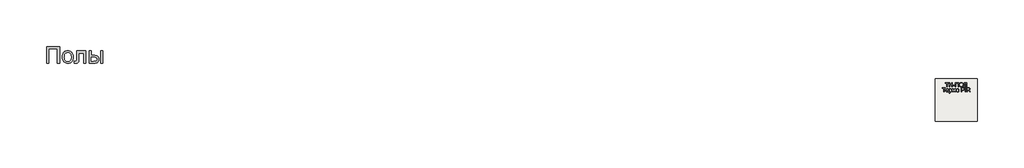
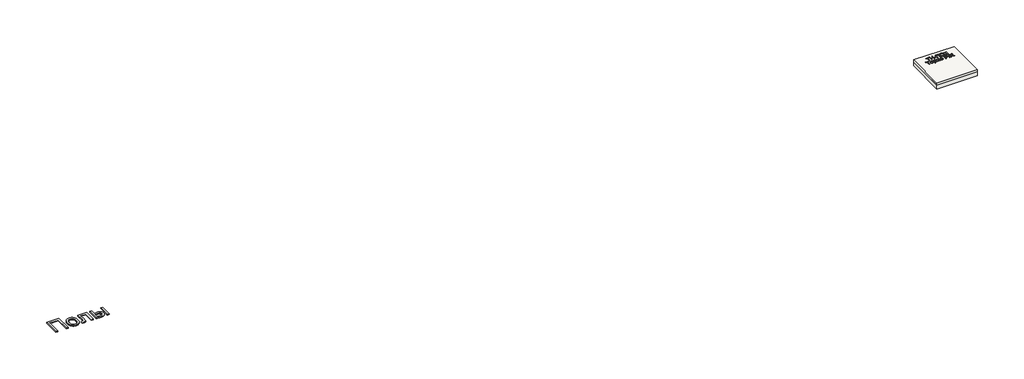
# One storey: 2 proxies, 2 slabs.
"""IFC4 building model written with IfcOpenShell, lengths in millimetres."""

from ifc_helpers import new_model, si_unit, frame, origin, origin_with_axes, place, context, project, spatial, polyline, outline, extrude, element, save

model = new_model("IFC4")

# Units and contexts
model_context = context("Model", 3, world=origin())
ifc_project = project(units=[si_unit("LENGTHUNIT", "METRE", prefix="MILLI")], contexts=[model_context])

# Site, building, storey
site = spatial("IfcSite", under=ifc_project)
building = spatial("IfcBuilding", under=site)
storey = spatial("IfcBuildingStorey", under=building, Elevation=0.0)

# Proxies
placement = place(None, origin())
element("IfcBuildingElementProxy", 1, Name="Generic Models", at=placement, inside=storey, context=model_context, shape_type="SweptSolid", body=[
    extrude(outline(polyline([(-2221.4493901, -14787.7817103), (-1609.328178, -14787.7817103), (-1609.328178, -15571.2968619), (-1707.2675719, -15571.2968619), (-1707.2675719, -14885.7211043), (-2123.5099961, -14885.7211043), (-2123.5099961, -15571.2968619), (-2221.4493901, -15571.2968619), (-2221.4493901, -14787.7817103)])), origin_with_axes(), (0.0, 0.0, 1.0), 40.0),
    extrude(outline(polyline([(-1474.6615113, -15283.5998922), (-1469.3652282, -15209.0813079), (-1462.7448742, -15175.6866287), (-1453.4763787, -15144.8683581), (-1441.5597416, -15116.6264961), (-1426.994963, -15090.9610427), (-1409.7820428, -15067.871998), (-1389.920981, -15047.3593619), (-1352.5959336, -15019.491109), (-1311.3973068, -14999.5852141), (-1266.3251003, -14987.6416772), (-1217.3793143, -14983.6604982), (-1163.3464663, -14988.5084504), (-1114.4903465, -15003.0523069), (-1070.810955, -15027.2920678), (-1032.3082916, -15061.2277331), (-1000.8832798, -15103.7115754), (-978.4368427, -15153.5958675), (-964.9689805, -15210.8806095), (-960.4796931, -15275.5658013), (-962.4643049, -15327.9906355), (-968.4181401, -15374.5094566), (-978.3411988, -15415.1222643), (-992.233481, -15449.8290588), (-1009.921632, -15479.8074561), (-1031.2322973, -15506.2350721), (-1056.1654767, -15529.1119068), (-1084.7211704, -15548.4379603), (-1115.7875175, -15563.7947904), (-1148.2526571, -15574.7639547), (-1182.1165894, -15581.3454532), (-1217.3793143, -15583.5392861), (-1272.2012248, -15578.7092672), (-1321.5116533, -15564.2192103), (-1365.3105998, -15540.0691156), (-1403.5980643, -15506.2589831), (-1434.6883224, -15463.3626763), (-1456.8956496, -15411.9540588), (-1470.2200459, -15352.0331308), (-1474.6615113, -15283.5998922)]), holes=[polyline([(-1376.7221174, -15283.4086043), (-1373.8886657, -15330.9137534), (-1365.3883105, -15372.0466251), (-1351.221052, -15406.8072193), (-1331.3868901, -15435.1955361), (-1307.2607064, -15457.2474419), (-1280.2173825, -15472.9988031), (-1250.2569185, -15482.4496199), (-1217.3793143, -15485.5998922), (-1184.6690871, -15482.4316867), (-1154.828178, -15472.9270702), (-1127.8565871, -15457.0860427), (-1103.7543143, -15434.9086043), (-1083.9201524, -15406.2393335), (-1069.7528939, -15370.9228088), (-1061.2525388, -15328.9590304), (-1058.4190871, -15280.3479982), (-1061.270472, -15234.3492411), (-1069.8246268, -15194.2923638), (-1084.0815515, -15160.1773661), (-1104.0412461, -15132.0042482), (-1128.2331851, -15109.9523424), (-1155.1868427, -15094.2009812), (-1184.9022192, -15084.7501644), (-1217.3793143, -15081.5998922), (-1250.2569185, -15084.7382089), (-1280.2173825, -15094.1531592), (-1307.2607064, -15109.844743), (-1331.3868901, -15131.8129603), (-1351.221052, -15160.1175887), (-1365.3883105, -15194.8184054), (-1373.8886657, -15235.9154106), (-1376.7221174, -15283.4086043)])]), origin_with_axes(), (0.0, 0.0, 1.0), 40.0),
    extrude(outline(polyline([(-801.328178, -14995.9029225), (-360.6009052, -14995.9029225), (-360.6009052, -15570.7229982), (-458.5402992, -15570.7229982), (-458.5402992, -15093.8423164), (-703.388784, -15093.8423164), (-703.388784, -15368.3404225), (-705.038642, -15448.011824), (-709.9882158, -15494.9729982), (-722.350195, -15523.6422691), (-746.2372689, -15548.4379603), (-762.7119374, -15558.4387298), (-782.4863219, -15565.5821365), (-805.5604223, -15569.8681805), (-831.9342386, -15571.2968619), (-911.5099961, -15566.323377), (-911.5099961, -15473.3574679), (-867.7050719, -15473.3574679), (-841.1399677, -15471.8510759), (-823.421928, -15467.3318997), (-812.351142, -15459.5369187), (-805.7277992, -15448.2031119), (-802.4280833, -15420.2989925), (-801.328178, -15362.793074), (-801.328178, -14995.9029225)])), origin_with_axes(), (0.0, 0.0, 1.0), 40.0),
    extrude(outline(polyline([(-213.6918143, -14995.9029225), (-115.7524204, -14995.9029225), (-115.7524204, -15204.0241346), (5.3328069, -15204.0241346), (61.0513793, -15207.0907184), (109.9911876, -15216.2904698), (152.1522316, -15231.6233888), (187.5345114, -15253.0894755), (215.5282969, -15279.9474892), (235.523858, -15311.4561895), (247.5211947, -15347.6155763), (251.5203069, -15388.4256497), (248.1667913, -15424.8361019), (238.1062444, -15458.5087463), (221.3386663, -15489.443583), (197.8640569, -15517.6406119), (167.0248642, -15541.1152212), (128.1635361, -15557.8827994), (81.2800725, -15567.9433462), (26.3744736, -15571.2968619), (-213.6918143, -15571.2968619), (-213.6918143, -14995.9029225)]), holes=[polyline([(-115.7524204, -15473.3574679), (-15.1349961, -15473.3574679), (62.8626364, -15468.2166062), (92.0699044, -15461.790529), (114.7494736, -15452.794021), (131.7382283, -15441.0716606), (143.8730531, -15426.4680266), (151.153948, -15408.983119), (153.5809129, -15388.6169376), (151.7816113, -15372.1542245), (146.3837065, -15356.6240399), (137.3871985, -15342.0263836), (124.7920872, -15328.3612558), (106.0518528, -15316.8122501), (78.6199754, -15308.5629603), (42.4964551, -15303.6133865), (-2.3187083, -15301.9635285), (-115.7524204, -15301.9635285), (-115.7524204, -15473.3574679)])]), origin_with_axes(), (0.0, 0.0, 1.0), 40.0),
    extrude(outline(polyline([(324.9748523, -14995.9029225), (422.9142463, -14995.9029225), (422.9142463, -15571.2968619), (324.9748523, -15571.2968619), (324.9748523, -14995.9029225)])), origin_with_axes(), (0.0, 0.0, 1.0), 40.0),
])
element("IfcBuildingElementProxy", 2, Name="Generic Models", at=placement, inside=storey, context=model_context, shape_type="SweptSolid", body=[
    extrude(outline(polyline([(40256.8186644, -16688.792124), (40256.8186644, -16516.4844317), (40192.2032798, -16516.4844317), (40192.2032798, -16491.8690471), (40346.0494336, -16491.8690471), (40346.0494336, -16516.4844317), (40281.434049, -16516.4844317), (40281.434049, -16688.792124), (40256.8186644, -16688.792124)])), origin_with_axes(), (0.0, 0.0, 1.0), 20.0),
    extrude(outline(polyline([(40373.7417413, -16688.792124), (40373.7417413, -16491.8690471), (40398.3571259, -16491.8690471), (40398.3571259, -16571.8690471), (40502.9725106, -16571.8690471), (40502.9725106, -16491.8690471), (40527.5878952, -16491.8690471), (40527.5878952, -16688.792124), (40502.9725106, -16688.792124), (40502.9725106, -16596.4844317), (40398.3571259, -16596.4844317), (40398.3571259, -16688.792124), (40373.7417413, -16688.792124)])), origin_with_axes(), (0.0, 0.0, 1.0), 20.0),
    extrude(outline(polyline([(40555.2802029, -16630.3305856), (40555.2802029, -16605.7152009), (40632.2032798, -16605.7152009), (40632.2032798, -16630.3305856), (40555.2802029, -16630.3305856)])), origin_with_axes(), (0.0, 0.0, 1.0), 20.0),
    extrude(outline(polyline([(40662.9725106, -16491.8690471), (40816.8186644, -16491.8690471), (40816.8186644, -16688.792124), (40792.2032798, -16688.792124), (40792.2032798, -16516.4844317), (40687.5878952, -16516.4844317), (40687.5878952, -16688.792124), (40662.9725106, -16688.792124), (40662.9725106, -16491.8690471)])), origin_with_axes(), (0.0, 0.0, 1.0), 20.0),
    extrude(outline(polyline([(40850.6648182, -16592.9267394), (40852.3054432, -16569.8287827), (40857.2273182, -16549.3810663), (40865.4304432, -16531.5835904), (40876.9148182, -16516.4363548), (40890.9923423, -16504.3420038), (40906.9749144, -16495.7031817), (40924.8625346, -16490.5198884), (40944.6552029, -16488.792124), (40970.4845298, -16492.0373163), (40993.6455875, -16501.7728932), (41012.8763567, -16517.3137586), (41026.9148182, -16537.9748163), (41035.496549, -16562.7584702), (41038.3571259, -16590.667124), (41035.3463086, -16618.948374), (41026.3138567, -16644.0805856), (41011.7585682, -16664.7777009), (40992.1792413, -16679.7536625), (40969.2165009, -16688.8402009), (40944.5109721, -16691.8690471), (40918.2850106, -16688.5216913), (40894.9917413, -16678.479624), (40875.809049, -16662.6502971), (40861.9148182, -16641.9411625), (40853.4773182, -16618.1130375), (40850.6648182, -16592.9267394)]), holes=[polyline([(40875.2802029, -16593.167124), (40880.2020779, -16623.9724125), (40894.9677029, -16647.4459702), (40917.1612125, -16662.3017394), (40944.3667413, -16667.2536625), (40971.9689048, -16662.2536625), (40994.1984721, -16647.2536625), (41002.7486524, -16636.2049846), (41008.855924, -16623.0589509), (41013.7417413, -16590.4748163), (41011.6503952, -16568.6839509), (41005.3763567, -16549.8498163), (40995.0818856, -16534.4471721), (40980.9292413, -16522.9507779), (40963.855924, -16515.7933259), (40944.7994336, -16513.4075086), (40918.3210682, -16518.0048644), (40895.809049, -16531.7969317), (40886.8276788, -16542.5286024), (40880.4124144, -16556.3341913), (40875.2802029, -16593.167124)])]), origin_with_axes(), (0.0, 0.0, 1.0), 20.0),
    extrude(outline(polyline([(41087.5878952, -16491.8690471), (41207.5878952, -16491.8690471), (41207.5878952, -16688.792124), (41182.9725106, -16688.792124), (41182.9725106, -16516.4844317), (41112.2032798, -16516.4844317), (41112.2032798, -16616.9652009), (41109.3427029, -16661.7969317), (41104.9136163, -16674.4652009), (41097.3475106, -16683.9603932), (41086.9869336, -16689.8918836), (41074.1744336, -16691.8690471), (41053.7417413, -16688.792124), (41056.8186644, -16664.1767394), (41068.5975106, -16667.2536625), (41076.9208279, -16665.6010182), (41082.8523182, -16660.6430856), (41086.4040009, -16649.5553452), (41087.5878952, -16629.5132779), (41087.5878952, -16491.8690471)])), origin_with_axes(), (0.0, 0.0, 1.0), 20.0),
    extrude(outline(polyline([(40109.1263567, -16931.8690471), (40109.1263567, -16759.5613548), (40044.5109721, -16759.5613548), (40044.5109721, -16734.9459702), (40198.3571259, -16734.9459702), (40198.3571259, -16759.5613548), (40133.7417413, -16759.5613548), (40133.7417413, -16931.8690471), (40109.1263567, -16931.8690471)])), origin_with_axes(), (0.0, 0.0, 1.0), 20.0),
    extrude(outline(polyline([(40324.2225106, -16888.792124), (40348.3571259, -16891.8690471), (40339.6612125, -16910.0541432), (40325.7850106, -16923.6478932), (40307.0410202, -16932.1214509), (40283.7417413, -16934.9459702), (40254.8595298, -16930.0721721), (40232.6359721, -16915.4507779), (40218.465299, -16892.0313067), (40213.7417413, -16860.7632779), (40218.5133759, -16828.4435663), (40232.8282798, -16804.2728932), (40254.7513567, -16789.2007779), (40282.3475106, -16784.1767394), (40309.0842894, -16789.1887586), (40330.4484721, -16804.2248163), (40344.4568856, -16828.3474125), (40349.1263567, -16860.6190471), (40348.9821259, -16867.2536625), (40238.3571259, -16867.2536625), (40242.6179432, -16885.6791432), (40252.5157798, -16899.2248163), (40266.8006356, -16907.5541432), (40284.2225106, -16910.3305856), (40308.3571259, -16905.1863548), (40317.3234721, -16898.5156817), (40324.2225106, -16888.792124)]), holes=[polyline([(40238.3571259, -16842.6382779), (40324.5109721, -16842.6382779), (40321.1816452, -16829.6334702), (40314.6552029, -16820.3305856), (40300.3042413, -16811.6767394), (40282.2513567, -16808.792124), (40265.6588086, -16811.0938067), (40251.9388567, -16817.9988548), (40242.4015971, -16828.7620759), (40238.3571259, -16842.6382779)])]), origin_with_axes(), (0.0, 0.0, 1.0), 20.0),
    extrude(outline(polyline([(40373.7417413, -16987.2536625), (40373.7417413, -16787.2536625), (40398.3571259, -16787.2536625), (40398.3571259, -16811.3882779), (40415.3763567, -16790.979624), (40425.8571259, -16785.8774606), (40438.3571259, -16784.1767394), (40455.0037606, -16786.5565471), (40469.559049, -16793.6959702), (40481.4100106, -16805.1623163), (40489.9436644, -16820.5228932), (40495.0999144, -16838.6599125), (40496.8186644, -16858.4555856), (40494.8775586, -16879.5072682), (40489.0542413, -16898.3353932), (40479.5350106, -16913.9844317), (40466.5061644, -16925.4988548), (40451.3318856, -16932.5841913), (40435.3763567, -16934.9459702), (40424.0602509, -16933.3654413), (40413.9580875, -16928.6238548), (40398.3571259, -16912.6382779), (40398.3571259, -16987.2536625), (40373.7417413, -16987.2536625)]), holes=[polyline([(40398.3571259, -16860.7152009), (40401.0193856, -16882.7825086), (40409.0061644, -16898.2152009), (40420.7910202, -16907.3017394), (40434.8475106, -16910.3305856), (40449.1323663, -16907.1935663), (40461.2177029, -16897.7825086), (40469.4568856, -16881.7849125), (40472.2032798, -16858.8882779), (40469.5229913, -16836.9411625), (40461.4821259, -16821.292124), (40449.715299, -16811.917124), (40435.8571259, -16808.792124), (40421.9448663, -16812.1154413), (40409.7273182, -16822.0853932), (40401.199674, -16838.3894798), (40398.3571259, -16860.7152009)])]), origin_with_axes(), (0.0, 0.0, 1.0), 20.0),
    extrude(outline(polyline([(40524.5109721, -16787.2536625), (40566.8667413, -16787.2536625), (40599.5109721, -16903.0228932), (40634.7032798, -16787.2536625), (40675.2802029, -16787.2536625), (40675.2802029, -16931.8690471), (40650.6648182, -16931.8690471), (40650.6648182, -16815.4267394), (40615.2802029, -16931.8690471), (40582.9725106, -16931.8690471), (40549.1263567, -16809.8498163), (40549.1263567, -16931.8690471), (40524.5109721, -16931.8690471), (40524.5109721, -16787.2536625)])), origin_with_axes(), (0.0, 0.0, 1.0), 20.0),
    extrude(outline(polyline([(40706.0494336, -16859.5613548), (40711.3739529, -16824.6935663), (40718.0296019, -16811.1448884), (40727.3475106, -16800.1863548), (40747.0830875, -16788.1791432), (40770.7128952, -16784.1767394), (40796.5722702, -16789.0505375), (40817.2273182, -16803.6719317), (40830.7669817, -16826.8870759), (40835.2802029, -16857.542124), (40833.2850106, -16882.4099125), (40827.2994336, -16901.3402009), (40817.4977509, -16915.5168836), (40804.0542413, -16926.1238548), (40788.0866932, -16932.7404413), (40770.7128952, -16934.9459702), (40744.5410202, -16930.0902009), (40723.9100106, -16915.5228932), (40710.5145779, -16891.8209702), (40706.0494336, -16859.5613548)]), holes=[polyline([(40730.6648182, -16859.5132779), (40733.5133759, -16881.7909221), (40742.059049, -16897.6623163), (40754.9196259, -16907.1635182), (40770.7128952, -16910.3305856), (40786.434049, -16907.1454894), (40799.2705875, -16897.5902009), (40807.8162606, -16881.5084702), (40810.6648182, -16858.7440471), (40807.7982317, -16837.1154413), (40799.1984721, -16821.4603932), (40786.3439048, -16811.9591913), (40770.7128952, -16808.792124), (40754.9196259, -16811.9471721), (40742.059049, -16821.4123163), (40733.5133759, -16837.2476529), (40730.6648182, -16859.5132779)])]), origin_with_axes(), (0.0, 0.0, 1.0), 20.0),
    extrude(outline(polyline([(40942.9725106, -16931.8690471), (40942.9725106, -16734.9459702), (41015.9532798, -16734.9459702), (41045.3763567, -16736.8209702), (41069.2946259, -16746.0277009), (41077.9905394, -16754.1887586), (41084.7994336, -16765.0661625), (41090.6648182, -16791.917124), (41086.7044817, -16815.1262586), (41074.8234721, -16834.4652009), (41065.3087485, -16842.0793836), (41052.605924, -16847.5180856), (41017.6359721, -16851.8690471), (40967.5878952, -16851.8690471), (40967.5878952, -16931.8690471), (40942.9725106, -16931.8690471)]), holes=[polyline([(40967.5878952, -16827.2536625), (41019.0782798, -16827.2536625), (41040.9052029, -16824.9940471), (41055.3282798, -16818.2152009), (41063.3691452, -16807.3377971), (41066.0494336, -16792.7825086), (41064.4689048, -16781.7248163), (41059.7273182, -16772.3978932), (41052.4136163, -16765.3786625), (41043.1167413, -16761.2440471), (41018.5013567, -16759.5613548), (40967.5878952, -16759.5613548), (40967.5878952, -16827.2536625)])]), origin_with_axes(), (0.0, 0.0, 1.0), 20.0),
    extrude(outline(polyline([(41127.5878952, -16931.8690471), (41127.5878952, -16734.9459702), (41152.2032798, -16734.9459702), (41152.2032798, -16931.8690471), (41127.5878952, -16931.8690471)])), origin_with_axes(), (0.0, 0.0, 1.0), 20.0),
    extrude(outline(polyline([(41201.434049, -16931.8690471), (41201.434049, -16734.9459702), (41286.2898182, -16734.9459702), (41309.0963086, -16736.2740952), (41325.6888567, -16740.2584702), (41337.8162606, -16747.6142394), (41347.2273182, -16759.0565471), (41353.2669817, -16773.245249), (41355.2802029, -16788.8402009), (41351.9448663, -16808.2392394), (41341.9388567, -16824.3209702), (41324.9616932, -16836.1118356), (41300.7128952, -16842.6382779), (41314.7032798, -16853.167124), (41334.6552029, -16878.5036625), (41367.4917413, -16931.8690471), (41338.8859721, -16931.8690471), (41313.2609721, -16891.0517394), (41294.7513567, -16864.0325086), (41281.746549, -16851.2680856), (41270.0398182, -16846.5805856), (41255.7609721, -16845.7152009), (41226.0494336, -16845.7152009), (41226.0494336, -16931.8690471), (41201.434049, -16931.8690471)]), holes=[polyline([(41226.0494336, -16821.0998163), (41281.1455875, -16821.0998163), (41309.246549, -16817.6142394), (41325.2080875, -16806.4603932), (41330.6648182, -16789.7536625), (41328.0626548, -16777.7464509), (41320.2561644, -16768.0709702), (41306.824674, -16761.6887586), (41287.3475106, -16759.5613548), (41226.0494336, -16759.5613548), (41226.0494336, -16821.0998163)])]), origin_with_axes(), (0.0, 0.0, 1.0), 20.0),
])

# Slabs
element("IfcSlab", 3, at=placement, inside=storey, context=model_context, shape_type="SweptSolid", body=[
    extrude(outline(polyline([(41706.3955952, -16302.6148653), (41706.3955952, -18302.6148653), (39706.3955952, -18302.6148653), (39706.3955952, -16302.6148653), (41706.3955952, -16302.6148653)])), frame((0.0, 0.0, -115.0), z_axis=(0.0, 0.0, 1.0), x_axis=(1.0, 0.0, 0.0)), (0.0, 0.0, 1.0), 115.0),
])
element("IfcSlab", 4, at=placement, inside=storey, context=model_context, shape_type="SweptSolid", body=[
    extrude(outline(polyline([(41706.3955952, -16302.6148653), (41706.3955952, -18302.6148653), (39706.3955952, -18302.6148653), (39706.3955952, -16302.6148653), (41706.3955952, -16302.6148653)])), frame((0.0, 0.0, -315.0), z_axis=(0.0, 0.0, 1.0), x_axis=(1.0, 0.0, 0.0)), (0.0, 0.0, 1.0), 200.0),
])

save(model, "model.ifc")
